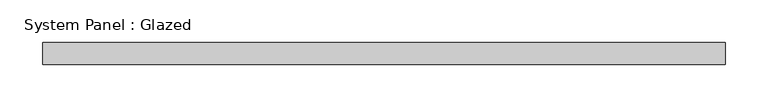
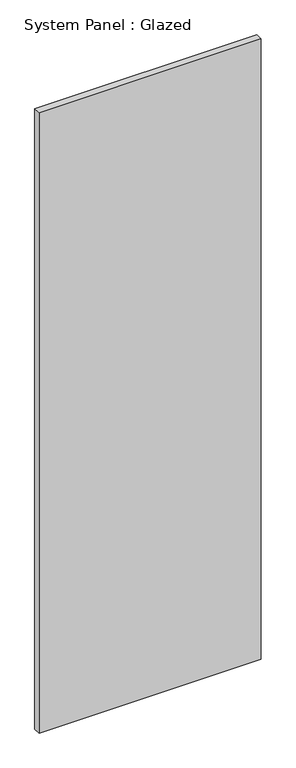
"""IFC4 building model written with IfcOpenShell, lengths in millimetres: plate geometry, System Panel : Glazed."""

from ifc_helpers import new_model, si_unit, origin, origin_with_axes, place, context, project, spatial, polyline, outline, extrude, source, transform, mapped, element, save


def system_panel_glazed_733c4fd2(model_context):
    return source(origin(), model_context, "Body", "SweptSolid", [
        extrude(outline(polyline([(396.875, 19.05), (-396.875, 19.05), (-396.875, 44.45), (396.875, 44.45), (396.875, 19.05)])), origin_with_axes(), (0.0, 0.0, 1.0), 2343.15),
    ])


if __name__ == "__main__":
    model = new_model("IFC4")
    model_context = context("Model", 3, world=origin())
    ifc_project = project(units=[si_unit("LENGTHUNIT", "METRE", prefix="MILLI")], contexts=[model_context])
    site = spatial("IfcSite", under=ifc_project)
    building = spatial("IfcBuilding", under=site)
    placement = place(None, origin())
    system_panel_glazed_shape = system_panel_glazed_733c4fd2(model_context)
    element("IfcPlate", 1, ObjectType="System Panel : Glazed", at=placement, inside=building, context=model_context, shape_type="MappedRepresentation", body=[
        mapped(system_panel_glazed_shape, transform((0.0, 0.0, 0.0), x_axis=(1.0, 0.0, 0.0), y_axis=(0.0, 1.0, 0.0), z_axis=(0.0, 0.0, 1.0))),
    ])
    save(model, "model.ifc")
